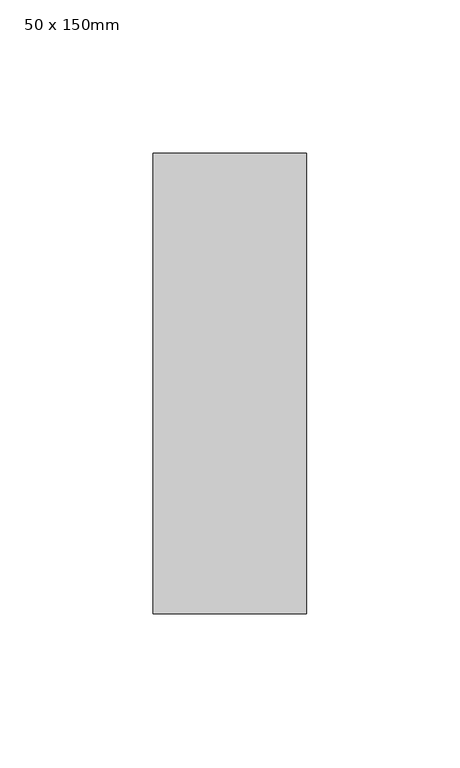
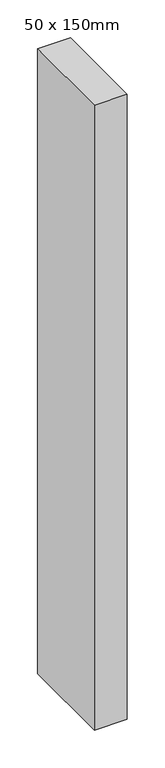
"""IFC4 building model written with IfcOpenShell, lengths in millimetres: member geometry, 50 x 150mm."""

from ifc_helpers import new_model, si_unit, frame, origin, place, context, project, spatial, polyline, outline, extrude, source, transform, mapped, element, save


def member_50_x_150mm_44c3fa6d(model_context):
    return source(origin(), model_context, "Body", "SweptSolid", [
        extrude(outline(polyline([(0.0, 75.0), (0.0, -75.0), (-50.0, -75.0), (-50.0, 75.0), (0.0, 75.0)])), frame((0.0, 0.0, -1009.1722407), z_axis=(0.0, 0.0, 1.0), x_axis=(1.0, 0.0, 0.0)), (0.0, 0.0, 1.0), 1009.1722407),
    ])


if __name__ == "__main__":
    model = new_model("IFC4")
    model_context = context("Model", 3, world=origin())
    ifc_project = project(units=[si_unit("LENGTHUNIT", "METRE", prefix="MILLI")], contexts=[model_context])
    site = spatial("IfcSite", under=ifc_project)
    building = spatial("IfcBuilding", under=site)
    placement = place(None, origin())
    member_50_x_150mm_shape = member_50_x_150mm_44c3fa6d(model_context)
    element("IfcMember", 1, ObjectType="50 x 150mm", at=placement, inside=building, context=model_context, shape_type="MappedRepresentation", body=[
        mapped(member_50_x_150mm_shape, transform((0.0, 0.0, 0.0), x_axis=(1.0, 0.0, 0.0), y_axis=(0.0, 1.0, 0.0), z_axis=(0.0, 0.0, 1.0))),
    ])
    save(model, "model.ifc")
